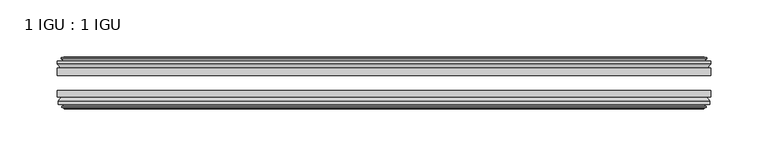
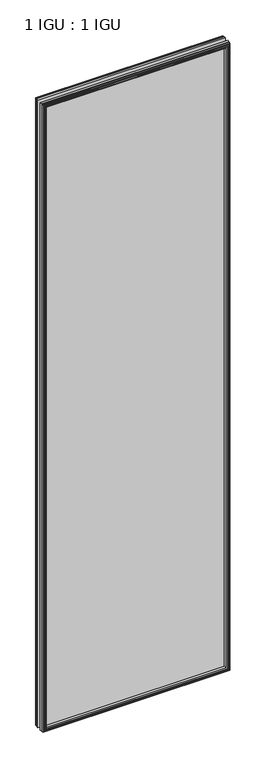
"""IFC4 building model written with IfcOpenShell, lengths in millimetres: plate geometry, 1 IGU : 1 IGU."""

from ifc_helpers import new_model, si_unit, frame, origin, place, context, project, spatial, polyline, outline, extrude, faceted_brep, source, transform, mapped, element, save


def plate_1_igu_1_igu_49e51187(model_context):
    return source(origin(), model_context, "Body", "SolidModel", [
        extrude(outline(polyline([(285.75, -25.8960937), (285.75, -32.2460938), (-285.75, -32.2460938), (-285.75, -25.8960937), (285.75, -25.8960937)])), frame((0.0, 0.0, -12.7), z_axis=(0.0, 0.0, 1.0), x_axis=(1.0, 0.0, 0.0)), (0.0, 0.0, 1.0), 2019.3),
        extrude(outline(polyline([(-285.75, -51.2960938), (-285.75, -45.2686737), (285.75, -45.2686737), (285.75, -51.2960938), (-285.75, -51.2960938)])), frame((0.0, 0.0, -12.7), z_axis=(0.0, 0.0, 1.0), x_axis=(1.0, 0.0, 0.0)), (0.0, 0.0, 1.0), 2019.3),
        faceted_brep([(-280.162, -60.0262907, 2001.012), (-280.543, -57.6460937, 2001.393), (-280.543, -57.6460937, -7.493), (-280.162, -60.0262907, -7.112), (-281.577529, -59.5663575, 2002.4275291), (-281.577529, -59.5663575, -8.5275291), (-281.577529, -60.3675717, 2002.4275291), (-281.577529, -60.3675717, -8.5275291), (-279.4, -61.0750937, 2000.25), (-279.4, -61.0750937, -6.35), (-277.2224709, -60.3675717, 1998.072471), (-277.2224709, -60.3675717, -4.1724709), (-277.2224709, -59.5663575, 1998.072471), (-277.2224709, -59.5663575, -4.1724709), (-278.638, -60.0262907, 1999.488), (-278.638, -60.0262907, -5.588), (-278.257, -57.6460937, 1999.107), (-278.257, -57.6460937, -5.207), (-271.3322819, -51.2960937, 1992.1822819), (-273.05, -57.6460937, 1993.9), (-273.05, -57.6460937, 0.0), (-271.3322819, -51.2960937, 1.7177181), (-284.988, -54.6996937, 2005.838), (-282.1536578, -51.2960937, 2003.0036578), (-282.1536578, -51.2960937, -9.1036578), (-284.988, -54.6996937, -11.938), (-284.988, -57.6460937, 2005.838), (-284.988, -57.6460937, -11.938), (280.543, -57.6460938, -7.493), (280.162, -60.0262907, -7.112), (281.577529, -59.5663575, -8.5275291), (281.577529, -60.3675717, -8.5275291), (279.4, -61.0750937, -6.35), (277.2224709, -60.3675717, -4.1724709), (277.2224709, -59.5663575, -4.1724709), (278.638, -60.0262907, -5.588), (278.257, -57.6460937, -5.207), (273.05, -57.6460937, 0.0), (271.3322819, -51.2960937, 1.7177181), (282.1536578, -51.2960937, -9.1036578), (284.988, -54.6996937, -11.938), (284.988, -57.6460938, -11.938), (280.543, -57.6460938, 2001.393), (280.162, -60.0262907, 2001.012), (281.577529, -59.5663575, 2002.4275291), (281.577529, -60.3675717, 2002.4275291), (279.4, -61.0750937, 2000.25), (277.2224709, -60.3675717, 1998.072471), (277.2224709, -59.5663575, 1998.072471), (278.638, -60.0262907, 1999.488), (278.257, -57.6460937, 1999.107), (273.05, -57.6460937, 1993.9), (271.3322819, -51.2960937, 1992.1822819), (282.1536578, -51.2960937, 2003.0036578), (284.988, -54.6996937, 2005.838), (284.988, -57.6460938, 2005.838)], [[[0, 1, 2, 3]], [[4, 0, 3, 5]], [[6, 4, 5, 7]], [[8, 6, 7, 9]], [[10, 8, 9, 11]], [[12, 10, 11, 13]], [[14, 12, 13, 15]], [[16, 14, 15, 17]], [[18, 19, 20, 21]], [[22, 23, 24, 25]], [[26, 22, 25, 27]], [[3, 2, 28, 29]], [[5, 3, 29, 30]], [[7, 5, 30, 31]], [[9, 7, 31, 32]], [[11, 9, 32, 33]], [[13, 11, 33, 34]], [[15, 13, 34, 35]], [[17, 15, 35, 36]], [[21, 20, 37, 38]], [[25, 24, 39, 40]], [[27, 25, 40, 41]], [[29, 28, 42, 43]], [[30, 29, 43, 44]], [[31, 30, 44, 45]], [[32, 31, 45, 46]], [[33, 32, 46, 47]], [[34, 33, 47, 48]], [[35, 34, 48, 49]], [[36, 35, 49, 50]], [[38, 37, 51, 52]], [[40, 39, 53, 54]], [[41, 40, 54, 55]], [[27, 41, 55, 26], [1, 42, 28, 2]], [[43, 42, 1, 0]], [[44, 43, 0, 4]], [[45, 44, 4, 6]], [[46, 45, 6, 8]], [[47, 46, 8, 10]], [[48, 47, 10, 12]], [[49, 48, 12, 14]], [[50, 49, 14, 16]], [[17, 36, 50, 16], [19, 51, 37, 20]], [[52, 51, 19, 18]], [[23, 53, 39, 24], [21, 38, 52, 18]], [[54, 53, 23, 22]], [[55, 54, 22, 26]]]),
        faceted_brep([(-282.6743578, -25.8960937, 2003.5243578), (-285.5087, -22.4924937, 2006.3587), (-285.5087, -22.4924937, -12.4587), (-282.6743578, -25.8960937, -9.6243578), (-273.5707, -19.5460937, 1994.4207), (-271.8529819, -25.8960937, 1992.7029819), (-271.8529819, -25.8960937, 1.1970181), (-273.5707, -19.5460937, -0.5207), (-279.1587, -17.1658968, 2000.0087), (-278.7777, -19.5460937, 1999.6277), (-278.7777, -19.5460937, -5.7277), (-279.1587, -17.1658968, -6.1087), (-277.7431709, -17.62583, 1998.593171), (-277.7431709, -17.62583, -4.6931709), (-277.7431709, -16.8246158, 1998.593171), (-277.7431709, -16.8246158, -4.6931709), (-279.9207, -16.1170937, 2000.7707), (-279.9207, -16.1170937, -6.8707), (-282.098229, -16.8246158, 2002.9482291), (-282.098229, -16.8246158, -9.0482291), (-282.098229, -17.62583, 2002.9482291), (-282.098229, -17.62583, -9.0482291), (-280.6827, -17.1658968, 2001.5327), (-280.6827, -17.1658968, -7.6327), (-281.0637, -19.5460937, 2001.9137), (-281.0637, -19.5460937, -8.0137), (-285.5087, -19.5460937, 2006.3587), (-285.5087, -19.5460937, -12.4587), (285.5087, -22.4924937, -12.4587), (282.6743578, -25.8960937, -9.6243578), (271.8529819, -25.8960937, 1.1970181), (273.5707, -19.5460937, -0.5207), (278.7777, -19.5460937, -5.7277), (279.1587, -17.1658968, -6.1087), (277.7431709, -17.62583, -4.6931709), (277.7431709, -16.8246158, -4.6931709), (279.9207, -16.1170937, -6.8707), (282.098229, -16.8246158, -9.0482291), (282.098229, -17.62583, -9.0482291), (280.6827, -17.1658968, -7.6327), (281.0637, -19.5460937, -8.0137), (285.5087, -19.5460937, -12.4587), (285.5087, -22.4924937, 2006.3587), (282.6743578, -25.8960937, 2003.5243578), (271.8529819, -25.8960937, 1992.7029819), (273.5707, -19.5460937, 1994.4207), (278.7777, -19.5460937, 1999.6277), (279.1587, -17.1658968, 2000.0087), (277.7431709, -17.62583, 1998.593171), (277.7431709, -16.8246158, 1998.593171), (279.9207, -16.1170937, 2000.7707), (282.098229, -16.8246158, 2002.9482291), (282.098229, -17.62583, 2002.9482291), (280.6827, -17.1658968, 2001.5327), (281.0637, -19.5460937, 2001.9137), (285.5087, -19.5460937, 2006.3587)], [[[0, 1, 2, 3]], [[4, 5, 6, 7]], [[8, 9, 10, 11]], [[12, 8, 11, 13]], [[14, 12, 13, 15]], [[16, 14, 15, 17]], [[18, 16, 17, 19]], [[20, 18, 19, 21]], [[22, 20, 21, 23]], [[24, 22, 23, 25]], [[1, 26, 27, 2]], [[3, 2, 28, 29]], [[7, 6, 30, 31]], [[11, 10, 32, 33]], [[13, 11, 33, 34]], [[15, 13, 34, 35]], [[17, 15, 35, 36]], [[19, 17, 36, 37]], [[21, 19, 37, 38]], [[23, 21, 38, 39]], [[25, 23, 39, 40]], [[2, 27, 41, 28]], [[29, 28, 42, 43]], [[31, 30, 44, 45]], [[33, 32, 46, 47]], [[34, 33, 47, 48]], [[35, 34, 48, 49]], [[36, 35, 49, 50]], [[37, 36, 50, 51]], [[38, 37, 51, 52]], [[39, 38, 52, 53]], [[40, 39, 53, 54]], [[28, 41, 55, 42]], [[43, 42, 1, 0]], [[3, 29, 43, 0], [5, 44, 30, 6]], [[45, 44, 5, 4]], [[9, 46, 32, 10], [7, 31, 45, 4]], [[47, 46, 9, 8]], [[48, 47, 8, 12]], [[49, 48, 12, 14]], [[50, 49, 14, 16]], [[51, 50, 16, 18]], [[52, 51, 18, 20]], [[53, 52, 20, 22]], [[54, 53, 22, 24]], [[26, 55, 41, 27], [25, 40, 54, 24]], [[42, 55, 26, 1]]]),
    ])


if __name__ == "__main__":
    model = new_model("IFC4")
    model_context = context("Model", 3, world=origin())
    ifc_project = project(units=[si_unit("LENGTHUNIT", "METRE", prefix="MILLI")], contexts=[model_context])
    site = spatial("IfcSite", under=ifc_project)
    building = spatial("IfcBuilding", under=site)
    placement = place(None, origin())
    plate_1_igu_1_igu_shape = plate_1_igu_1_igu_49e51187(model_context)
    element("IfcPlate", 1, ObjectType="1 IGU : 1 IGU", at=placement, inside=building, context=model_context, shape_type="MappedRepresentation", body=[
        mapped(plate_1_igu_1_igu_shape, transform((0.0, 0.0, 0.0), x_axis=(1.0, 0.0, 0.0), y_axis=(0.0, 1.0, 0.0), z_axis=(0.0, 0.0, 1.0))),
    ])
    save(model, "model.ifc")
